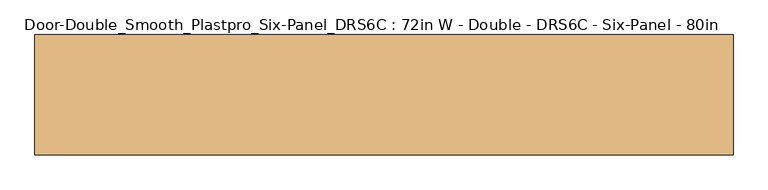
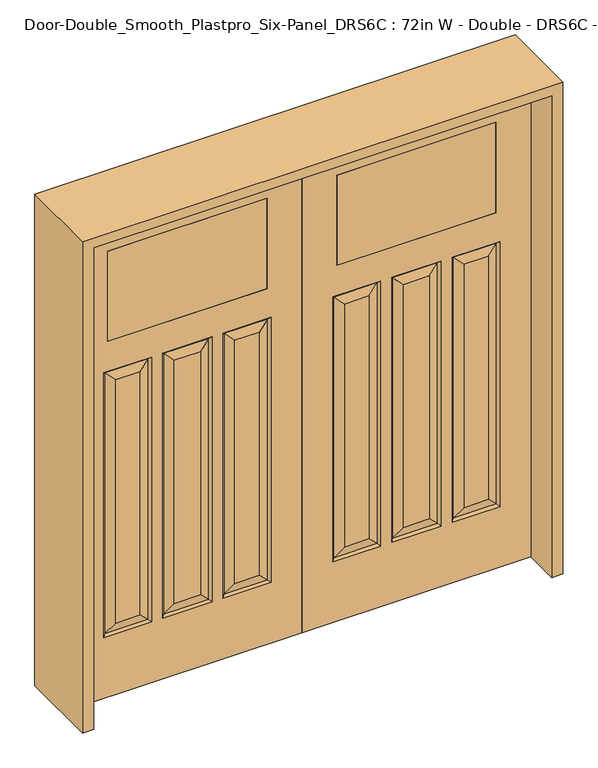
"""IFC4 building model written with IfcOpenShell, lengths in millimetres: door geometry, Door-Double_Smooth_Plastpro_Six-Panel_DRS6C : 72in W - Double - DRS6C - Six-Panel - 80in."""

import ifcopenshell
import ifcopenshell.guid

model = None  # the IFC model being written
_history = None  # IfcOwnerHistory: only IFC2X3 demands one
_inside = {}  # id of a spatial element -> (the spatial element, [elements in it])
_under = {}  # id of a project, library or spatial element -> (it, [spatial elements below it])
_declared = {}  # id of a project -> (the project, [libraries it declares])
_typed = {}  # id of a type object -> (the type object, [elements of that type])
_made_of = {}  # id of a material, layer set ... -> (it, [elements and type objects made of it])


def new_model(schema):
    """Start an empty IFC model of exactly this schema.

    Asked for "IFC4X3", IfcOpenShell would pick the latest addendum, in which some entities
    have other attributes; the version numbers below select the first issue.
    IFC2X3 requires an IfcOwnerHistory on every rooted entity: one is made here for all.
    """
    global model, _history
    if schema == "IFC4X3":
        model = ifcopenshell.file(schema_version=(4, 3, 0, 0))
    else:
        model = ifcopenshell.file(schema=schema)
    _inside.clear()
    _under.clear()
    _declared.clear()
    _typed.clear()
    _made_of.clear()
    _history = None
    if model.schema == "IFC2X3":
        org = make("IfcOrganization", Name="unknown")
        user = make(
            "IfcPersonAndOrganization",
            ThePerson=make("IfcPerson", FamilyName="unknown"),
            TheOrganization=org,
        )
        app = make(
            "IfcApplication",
            ApplicationDeveloper=org,
            Version="unknown",
            ApplicationFullName="unknown",
            ApplicationIdentifier="unknown",
        )
        _history = make(
            "IfcOwnerHistory",
            OwningUser=user,
            OwningApplication=app,
            ChangeAction="ADDED",
            CreationDate=0,
        )
    return model


def make(cls, **values):
    """One entity of the class cls with the attributes given. An attribute that is None is left unset."""
    return model.create_entity(
        cls, **{name: value for name, value in values.items() if value is not None}
    )


def rooted(cls, **values):
    """An entity with a GlobalId (a new one), such as an element, a storey or a relation."""
    return make(cls, GlobalId=ifcopenshell.guid.new(), OwnerHistory=_history, **values)


def si_unit(unit_type, name, prefix=None):
    """IfcSIUnit, for example si_unit("LENGTHUNIT", "METRE", prefix="MILLI")."""
    return make("IfcSIUnit", UnitType=unit_type, Prefix=prefix, Name=name)


def assignment(units):
    """IfcUnitAssignment: the units of a project."""
    return None if units is None else make("IfcUnitAssignment", Units=units)


def point(xyz):
    """IfcCartesianPoint."""
    return None if xyz is None else make("IfcCartesianPoint", Coordinates=xyz)


def direction(xyz):
    """IfcDirection."""
    return None if xyz is None else make("IfcDirection", DirectionRatios=xyz)


def frame(location, z_axis=None, x_axis=None):
    """IfcAxis2Placement3D, a coordinate frame: its origin and axes. An axis left out is left unset."""
    return make(
        "IfcAxis2Placement3D",
        Location=point(location),
        Axis=direction(z_axis),
        RefDirection=direction(x_axis),
    )


def origin():
    """The frame at (0, 0, 0) with its axes left unset."""
    return frame((0.0, 0.0, 0.0))


def place(relative_to, where):
    """IfcLocalPlacement: puts the frame where relative to a parent placement (None: the world)."""
    return make(
        "IfcLocalPlacement", PlacementRelTo=relative_to, RelativePlacement=where
    )


def context(
    kind, dimensions, precision=None, world=None, true_north=None, identifier=None
):
    """IfcGeometricRepresentationContext, for example the 3D "Model" context."""
    return make(
        "IfcGeometricRepresentationContext",
        ContextIdentifier=identifier,
        ContextType=kind,
        CoordinateSpaceDimension=dimensions,
        Precision=precision,
        WorldCoordinateSystem=world,
        TrueNorth=true_north,
    )


def project(units=None, contexts=None):
    """IfcProject with its units and contexts."""
    return rooted(
        "IfcProject",
        Name="project",
        RepresentationContexts=contexts,
        UnitsInContext=assignment(units),
    )


def spatial(cls, under=None, at=None, **own):
    """A site, building, storey or space (cls), placed at a placement, below another one or the project."""
    s = rooted(cls, ObjectPlacement=at, **own)
    if under is not None:
        _under.setdefault(under.id(), (under, []))[1].append(s)
    return s


def polyline(points):
    """IfcPolyline through the points."""
    return make("IfcPolyline", Points=[point(p) for p in points])


def outline(outer, holes=None, kind="AREA"):
    """IfcArbitraryClosedProfileDef: a profile drawn as a closed curve; with holes, ...WithVoids."""
    if holes is None:
        return make("IfcArbitraryClosedProfileDef", ProfileType=kind, OuterCurve=outer)
    return make(
        "IfcArbitraryProfileDefWithVoids",
        ProfileType=kind,
        OuterCurve=outer,
        InnerCurves=holes,
    )


def extrude(swept, where, along, depth):
    """IfcExtrudedAreaSolid: the profile swept, set in the frame where, extruded along a direction by depth."""
    return make(
        "IfcExtrudedAreaSolid",
        SweptArea=swept,
        Position=where,
        ExtrudedDirection=direction(along),
        Depth=depth,
    )


def faces_of(points, faces, orient=None, outer=None):
    """IfcFace entities. A face is a list of loops; a loop is a list of indices into points, from 0.

    orient and outer hold one flag for each loop. By default every Orientation is true, the
    first loop of a face is its IfcFaceOuterBound and the others are IfcFaceBound.
    """
    made = []
    for i, loops in enumerate(faces):
        bounds = []
        for j, loop in enumerate(loops):
            is_outer = j == 0 if outer is None else outer[i][j]
            bounds.append(
                make(
                    "IfcFaceOuterBound" if is_outer else "IfcFaceBound",
                    Bound=make("IfcPolyLoop", Polygon=[points[k] for k in loop]),
                    Orientation=True if orient is None else orient[i][j],
                )
            )
        made.append(make("IfcFace", Bounds=bounds))
    return made


def faceted_brep(points, faces, orient=None, outer=None, voids=None):
    """IfcFacetedBrep: a solid bounded by flat faces; with voids (closed shells), ...WithVoids."""
    shared = [point(p) for p in points]
    hull = make("IfcClosedShell", CfsFaces=faces_of(shared, faces, orient, outer))
    if voids is None:
        return make("IfcFacetedBrep", Outer=hull)
    return make(
        "IfcFacetedBrepWithVoids",
        Outer=hull,
        Voids=[
            make(cls, CfsFaces=faces_of(shared, fs, o, b)) for cls, fs, o, b in voids
        ],
    )


def shape(context_of_items, identifier, shape_type, items):
    """IfcShapeRepresentation: the items that make up one representation, for example the "Body"."""
    return make(
        "IfcShapeRepresentation",
        ContextOfItems=context_of_items,
        RepresentationIdentifier=identifier,
        RepresentationType=shape_type,
        Items=items,
    )


def source(mapping_origin, context_of_items, identifier, shape_type, items):
    """IfcRepresentationMap: a shape defined once, which mapped items show again and again."""
    return make(
        "IfcRepresentationMap",
        MappingOrigin=mapping_origin,
        MappedRepresentation=shape(context_of_items, identifier, shape_type, items),
    )


def transform(
    local_origin,
    x_axis=None,
    y_axis=None,
    z_axis=None,
    scale=None,
    scale2=None,
    scale3=None,
    uniform=True,
):
    """IfcCartesianTransformationOperator3D, or its non-uniform kind. x_axis, y_axis, z_axis: its Axis1, 2, 3."""
    if uniform:
        return make(
            "IfcCartesianTransformationOperator3D",
            Axis1=direction(x_axis),
            Axis2=direction(y_axis),
            LocalOrigin=point(local_origin),
            Scale=scale,
            Axis3=direction(z_axis),
        )
    return make(
        "IfcCartesianTransformationOperator3DnonUniform",
        Axis1=direction(x_axis),
        Axis2=direction(y_axis),
        LocalOrigin=point(local_origin),
        Scale=scale,
        Axis3=direction(z_axis),
        Scale2=scale2,
        Scale3=scale3,
    )


def mapped(mapping_source, mapping_target):
    """IfcMappedItem: shows the shape of a source again, moved by a transform."""
    return make(
        "IfcMappedItem", MappingSource=mapping_source, MappingTarget=mapping_target
    )


def made_of(thing, what):
    """Note that an element or type object is made of a material, layer set ...; save() writes the relation."""
    if what is not None:
        _made_of.setdefault(what.id(), (what, []))[1].append(thing)
    return thing


def element(
    cls,
    number,
    at=None,
    inside=None,
    cuts=None,
    type_object=None,
    material=None,
    context=None,
    identifier="Body",
    shape_type=None,
    held_by="IfcProductDefinitionShape",
    body=None,
    shapes=None,
    **own,
):
    """One element of the class cls, such as IfcWall. Its Tag is "e" and its number.

    at: its placement. inside: the storey or other place that contains it. cuts: it is an
    opening in that element (IfcRelVoidsElement). A single representation is given by context,
    identifier, shape_type and body (its items); several are given by shapes. held_by: the class
    of the entity that holds the representations. save() writes the other relations.
    """
    e = rooted(cls, Tag="e%d" % number, ObjectPlacement=at, **own)
    if body is not None:
        shapes = [shape(context, identifier, shape_type, body)]
    if shapes is not None:
        e.Representation = make(held_by, Representations=shapes)
    if inside is not None:
        _inside.setdefault(inside.id(), (inside, []))[1].append(e)
    if cuts is not None:
        rooted(
            "IfcRelVoidsElement", RelatingBuildingElement=cuts, RelatedOpeningElement=e
        )
    if type_object is not None:
        _typed.setdefault(type_object.id(), (type_object, []))[1].append(e)
    return made_of(e, material)


def aggregate(whole, parts):
    """IfcRelAggregates: a whole, such as a stair, and the parts it consists of."""
    return rooted("IfcRelAggregates", RelatingObject=whole, RelatedObjects=parts)


def save(model, path):
    """Write the relations noted so far, then the file.

    IfcRelAggregates (storeys below a building ...), IfcRelContainedInSpatialStructure (elements
    in a storey), IfcRelDefinesByType, IfcRelAssociatesMaterial and IfcRelDeclares: one each for
    every whole, place, type object, material and project.
    """
    for whole, parts in _under.values():
        aggregate(whole, parts)
    for where, things in _inside.values():
        rooted(
            "IfcRelContainedInSpatialStructure",
            RelatedElements=things,
            RelatingStructure=where,
        )
    for kind, things in _typed.values():
        rooted("IfcRelDefinesByType", RelatedObjects=things, RelatingType=kind)
    for what, things in _made_of.values():
        rooted("IfcRelAssociatesMaterial", RelatedObjects=things, RelatingMaterial=what)
    for by, libraries in _declared.values():
        rooted("IfcRelDeclares", RelatingContext=by, RelatedDefinitions=libraries)
    model.write(path)


def door_double_smooth_plastpro_six_panel_drs6c_72in_w_double_52d3e9fc(model_context):
    return source(origin(), model_context, "Body", "SolidModel", [
        faceted_brep([(609.0552561, -11.6572439, 264.4685374), (609.0552561, -11.6572439, 1364.1080251), (600.075, -20.6375, 1373.0882813), (600.075, -20.6375, 255.4882813), (646.1125, -20.6375, 301.5257813), (646.1125, -20.6375, 1327.0507813), (169.8625, -20.6375, 301.5257813), (169.8625, -20.6375, 1327.0507813), (132.8052561, -11.6572439, 1364.1080251), (132.8052561, -11.6572439, 264.4685374), (781.5947439, -11.6572439, 1364.1080251), (790.575, -20.6375, 1373.0882813), (914.4, -20.6375, 2032.0), (914.4, -20.6375, 0.0), (914.4, 20.6375, 0.0), (914.4, 20.6375, 2032.0), (774.7, 20.6375, 1881.0882813), (774.7, 20.6375, 1500.0882813), (774.7, -20.6375, 1500.0882813), (774.7, -20.6375, 1881.0882813), (139.7, -20.6375, 1881.0882813), (139.7, -20.6375, 1500.0882813), (139.7, 20.6375, 1500.0882813), (139.7, 20.6375, 1881.0882813), (609.0552561, 11.6572439, 264.4685374), (646.1125, 20.6375, 301.5257813), (744.5375, 20.6375, 301.5257813), (781.5947439, 11.6572439, 264.4685374), (744.5375, 20.6375, 1327.0507812), (781.5947439, 11.6572439, 1364.1080251), (268.2875, 20.6375, 301.5257813), (268.2875, 20.6375, 1327.0507812), (305.3447439, 11.6572439, 1364.1080251), (305.3447439, 11.6572439, 264.4685374), (546.6447439, 11.6572439, 264.4685374), (555.625, 20.6375, 255.4882813), (358.775, 20.6375, 255.4882813), (367.7552561, 11.6572439, 264.4685374), (367.7552561, 11.6572439, 1364.1080251), (404.8125, 20.6375, 1327.0507813), (404.8125, 20.6375, 301.5257813), (123.825, -20.6375, 1373.0882813), (123.825, -20.6375, 255.4882813), (305.3447439, -11.6572439, 264.4685374), (268.2875, -20.6375, 301.5257813), (546.6447439, -11.6572439, 264.4685374), (509.5875, -20.6375, 301.5257813), (404.8125, -20.6375, 301.5257813), (367.7552561, -11.6572439, 264.4685374), (0.0, 20.6375, 0.0), (0.0, 20.6375, 2032.0), (790.575, 20.6375, 255.4882813), (790.575, 20.6375, 1373.0882813), (600.075, 20.6375, 1373.0882813), (600.075, 20.6375, 255.4882813), (555.625, 20.6375, 1373.0882813), (358.775, 20.6375, 1373.0882813), (314.325, 20.6375, 255.4882813), (314.325, 20.6375, 1373.0882813), (123.825, 20.6375, 1373.0882813), (123.825, 20.6375, 255.4882813), (646.1125, 20.6375, 1327.0507812), (169.8625, 20.6375, 301.5257813), (169.8625, 20.6375, 1327.0507812), (509.5875, 20.6375, 1327.0507813), (509.5875, 20.6375, 301.5257813), (0.0, -20.6375, 0.0), (0.0, -20.6375, 2032.0), (314.325, -20.6375, 1373.0882813), (314.325, -20.6375, 255.4882813), (358.775, -20.6375, 255.4882813), (358.775, -20.6375, 1373.0882813), (555.625, -20.6375, 1373.0882813), (555.625, -20.6375, 255.4882813), (790.575, -20.6375, 255.4882813), (744.5375, -20.6375, 301.5257813), (744.5375, -20.6375, 1327.0507813), (268.2875, -20.6375, 1327.0507813), (509.5875, -20.6375, 1327.0507813), (404.8125, -20.6375, 1327.0507813), (609.0552561, 11.6572439, 1364.1080251), (132.8052561, 11.6572439, 264.4685374), (132.8052561, 11.6572439, 1364.1080251), (546.6447439, 11.6572439, 1364.1080251), (781.5947439, -11.6572439, 264.4685374), (305.3447439, -11.6572439, 1364.1080251), (546.6447439, -11.6572439, 1364.1080251), (367.7552561, -11.6572439, 1364.1080251)], [[[0, 1, 2, 3]], [[4, 5, 1, 0]], [[6, 7, 8, 9]], [[1, 10, 11, 2]], [[12, 13, 14, 15]], [[16, 17, 18, 19]], [[20, 21, 22, 23]], [[24, 25, 26, 27]], [[26, 28, 29, 27]], [[30, 31, 32, 33]], [[34, 35, 36, 37]], [[37, 38, 39, 40]], [[9, 8, 41, 42]], [[43, 44, 6, 9]], [[45, 46, 47, 48]], [[15, 14, 49, 50], [23, 22, 17, 16], [51, 52, 53, 54], [35, 55, 56, 36], [57, 58, 59, 60]], [[25, 61, 28, 26]], [[62, 63, 31, 30]], [[40, 39, 64, 65]], [[49, 14, 13, 66]], [[50, 49, 66, 67]], [[67, 66, 13, 12], [19, 18, 21, 20], [42, 41, 68, 69], [70, 71, 72, 73], [3, 2, 11, 74]], [[75, 76, 5, 4]], [[44, 77, 7, 6]], [[46, 78, 79, 47]], [[27, 51, 54, 24]], [[54, 53, 80, 24]], [[27, 29, 52, 51]], [[24, 80, 61, 25]], [[33, 57, 60, 81]], [[60, 59, 82, 81]], [[33, 32, 58, 57]], [[81, 62, 30, 33]], [[81, 82, 63, 62]], [[36, 56, 38, 37]], [[34, 83, 55, 35]], [[37, 40, 65, 34]], [[65, 64, 83, 34]], [[3, 74, 84, 0]], [[74, 11, 10, 84]], [[84, 75, 4, 0]], [[84, 10, 76, 75]], [[42, 69, 43, 9]], [[69, 68, 85, 43]], [[43, 85, 77, 44]], [[70, 73, 45, 48]], [[73, 72, 86, 45]], [[48, 87, 71, 70]], [[47, 79, 87, 48]], [[45, 86, 78, 46]], [[50, 67, 12, 15]], [[19, 20, 23, 16]], [[17, 22, 21, 18]], [[5, 76, 10, 1]], [[8, 85, 68, 41]], [[7, 77, 85, 8]], [[87, 86, 72, 71]], [[79, 78, 86, 87]], [[53, 52, 29, 80]], [[80, 29, 28, 61]], [[59, 58, 32, 82]], [[82, 32, 31, 63]], [[56, 55, 83, 38]], [[38, 83, 64, 39]]]),
        extrude(outline(polyline([(139.7, -20.6375), (139.7, 20.6375), (774.7, 20.6375), (774.7, -20.6375), (139.7, -20.6375)])), frame((0.0, 0.0, 1500.0882813), z_axis=(0.0, 0.0, 1.0), x_axis=(1.0, 0.0, 0.0)), (0.0, 0.0, 1.0), 381.0),
        faceted_brep([(-609.0552561, -11.6572439, 264.4685374), (-600.075, -20.6375, 255.4882813), (-600.075, -20.6375, 1373.0882813), (-609.0552561, -11.6572439, 1364.1080251), (-646.1125, -20.6375, 301.5257813), (-646.1125, -20.6375, 1327.0507813), (-169.8625, -20.6375, 301.5257813), (-132.8052561, -11.6572439, 264.4685374), (-132.8052561, -11.6572439, 1364.1080251), (-169.8625, -20.6375, 1327.0507813), (-790.575, -20.6375, 1373.0882813), (-781.5947439, -11.6572439, 1364.1080251), (-914.4, -20.6375, 2032.0), (-914.4, 20.6375, 2032.0), (-914.4, 20.6375, 0.0), (-914.4, -20.6375, 0.0), (-774.7, 20.6375, 1881.0882813), (-774.7, -20.6375, 1881.0882813), (-774.7, -20.6375, 1500.0882813), (-774.7, 20.6375, 1500.0882813), (-139.7, -20.6375, 1881.0882813), (-139.7, 20.6375, 1881.0882813), (-139.7, 20.6375, 1500.0882813), (-139.7, -20.6375, 1500.0882813), (-609.0552561, 11.6572439, 264.4685374), (-781.5947439, 11.6572439, 264.4685374), (-744.5375, 20.6375, 301.5257813), (-646.1125, 20.6375, 301.5257813), (-781.5947439, 11.6572439, 1364.1080251), (-744.5375, 20.6375, 1327.0507813), (-268.2875, 20.6375, 301.5257813), (-305.3447439, 11.6572439, 264.4685374), (-305.3447439, 11.6572439, 1364.1080251), (-268.2875, 20.6375, 1327.0507813), (-546.6447439, 11.6572439, 264.4685374), (-367.7552561, 11.6572439, 264.4685374), (-358.775, 20.6375, 255.4882813), (-555.625, 20.6375, 255.4882813), (-404.8125, 20.6375, 301.5257813), (-404.8125, 20.6375, 1327.0507813), (-367.7552561, 11.6572439, 1364.1080251), (-123.825, -20.6375, 255.4882813), (-123.825, -20.6375, 1373.0882813), (-305.3447439, -11.6572439, 264.4685374), (-268.2875, -20.6375, 301.5257813), (-546.6447439, -11.6572439, 264.4685374), (-367.7552561, -11.6572439, 264.4685374), (-404.8125, -20.6375, 301.5257813), (-509.5875, -20.6375, 301.5257813), (-646.1125, 20.6375, 1327.0507813), (-169.8625, 20.6375, 301.5257813), (-169.8625, 20.6375, 1327.0507813), (-509.5875, 20.6375, 301.5257813), (-509.5875, 20.6375, 1327.0507813), (0.0, 20.6375, 2032.0), (0.0, 20.6375, 0.0), (-790.575, 20.6375, 255.4882813), (-600.075, 20.6375, 255.4882813), (-600.075, 20.6375, 1373.0882813), (-790.575, 20.6375, 1373.0882813), (-358.775, 20.6375, 1373.0882813), (-555.625, 20.6375, 1373.0882813), (-314.325, 20.6375, 255.4882813), (-123.825, 20.6375, 255.4882813), (-123.825, 20.6375, 1373.0882813), (-314.325, 20.6375, 1373.0882813), (0.0, -20.6375, 0.0), (0.0, -20.6375, 2032.0), (-744.5375, -20.6375, 301.5257813), (-744.5375, -20.6375, 1327.0507813), (-268.2875, -20.6375, 1327.0507813), (-404.8125, -20.6375, 1327.0507813), (-509.5875, -20.6375, 1327.0507813), (-314.325, -20.6375, 255.4882813), (-314.325, -20.6375, 1373.0882813), (-358.775, -20.6375, 255.4882813), (-555.625, -20.6375, 255.4882813), (-555.625, -20.6375, 1373.0882813), (-358.775, -20.6375, 1373.0882813), (-790.575, -20.6375, 255.4882813), (-609.0552561, 11.6572439, 1364.1080251), (-132.8052561, 11.6572439, 264.4685374), (-132.8052561, 11.6572439, 1364.1080251), (-546.6447439, 11.6572439, 1364.1080251), (-781.5947439, -11.6572439, 264.4685374), (-305.3447439, -11.6572439, 1364.1080251), (-546.6447439, -11.6572439, 1364.1080251), (-367.7552561, -11.6572439, 1364.1080251)], [[[0, 1, 2, 3]], [[4, 0, 3, 5]], [[6, 7, 8, 9]], [[3, 2, 10, 11]], [[12, 13, 14, 15]], [[16, 17, 18, 19]], [[20, 21, 22, 23]], [[24, 25, 26, 27]], [[26, 25, 28, 29]], [[30, 31, 32, 33]], [[34, 35, 36, 37]], [[35, 38, 39, 40]], [[7, 41, 42, 8]], [[43, 7, 6, 44]], [[45, 46, 47, 48]], [[27, 26, 29, 49]], [[50, 30, 33, 51]], [[38, 52, 53, 39]], [[13, 54, 55, 14], [56, 57, 58, 59], [37, 36, 60, 61], [62, 63, 64, 65], [21, 16, 19, 22]], [[55, 66, 15, 14]], [[54, 67, 66, 55]], [[68, 4, 5, 69]], [[44, 6, 9, 70]], [[48, 47, 71, 72]], [[67, 12, 15, 66], [41, 73, 74, 42], [75, 76, 77, 78], [1, 79, 10, 2], [17, 20, 23, 18]], [[25, 24, 57, 56]], [[57, 24, 80, 58]], [[25, 56, 59, 28]], [[24, 27, 49, 80]], [[31, 81, 63, 62]], [[63, 81, 82, 64]], [[31, 62, 65, 32]], [[81, 31, 30, 50]], [[81, 50, 51, 82]], [[36, 35, 40, 60]], [[34, 37, 61, 83]], [[35, 34, 52, 38]], [[52, 34, 83, 53]], [[1, 0, 84, 79]], [[79, 84, 11, 10]], [[84, 0, 4, 68]], [[84, 68, 69, 11]], [[41, 7, 43, 73]], [[73, 43, 85, 74]], [[43, 44, 70, 85]], [[75, 46, 45, 76]], [[76, 45, 86, 77]], [[46, 75, 78, 87]], [[47, 46, 87, 71]], [[45, 48, 72, 86]], [[54, 13, 12, 67]], [[17, 16, 21, 20]], [[19, 18, 23, 22]], [[5, 3, 11, 69]], [[8, 42, 74, 85]], [[9, 8, 85, 70]], [[87, 78, 77, 86]], [[71, 87, 86, 72]], [[58, 80, 28, 59]], [[80, 49, 29, 28]], [[64, 82, 32, 65]], [[82, 51, 33, 32]], [[60, 40, 83, 61]], [[40, 39, 53, 83]]]),
        extrude(outline(polyline([(-139.7, -20.6375), (-774.7, -20.6375), (-774.7, 20.6375), (-139.7, 20.6375), (-139.7, -20.6375)])), frame((0.0, 0.0, 1500.0882813), z_axis=(0.0, 0.0, 1.0), x_axis=(1.0, 0.0, 0.0)), (0.0, 0.0, 1.0), 381.0),
        extrude(outline(polyline([(2073.275, -958.85), (0.0, -958.85), (0.0, -914.4), (2032.0, -914.4), (2032.0, 914.4), (0.0, 914.4), (0.0, 958.85), (2073.275, 958.85), (2073.275, -958.85)])), frame((0.0, -165.1, 0.0), z_axis=(0.0, 1.0, 0.0), x_axis=(0.0, 0.0, 1.0)), (0.0, 0.0, 1.0), 330.2),
    ])


if __name__ == "__main__":
    model = new_model("IFC4")
    model_context = context("Model", 3, world=origin())
    ifc_project = project(units=[si_unit("LENGTHUNIT", "METRE", prefix="MILLI")], contexts=[model_context])
    site = spatial("IfcSite", under=ifc_project)
    building = spatial("IfcBuilding", under=site)
    placement = place(None, origin())
    door_double_smooth_plastpro_six_panel_drs6c_72in_w_double_shape = door_double_smooth_plastpro_six_panel_drs6c_72in_w_double_52d3e9fc(model_context)
    element("IfcDoor", 1, ObjectType="Door-Double_Smooth_Plastpro_Six-Panel_DRS6C : 72in W - Double - DRS6C - Six-Panel - 80in", at=placement, inside=building, context=model_context, shape_type="MappedRepresentation", body=[
        mapped(door_double_smooth_plastpro_six_panel_drs6c_72in_w_double_shape, transform((0.0, 0.0, 0.0), x_axis=(1.0, 0.0, 0.0), y_axis=(0.0, 1.0, 0.0), z_axis=(0.0, 0.0, 1.0))),
    ])
    save(model, "model.ifc")
